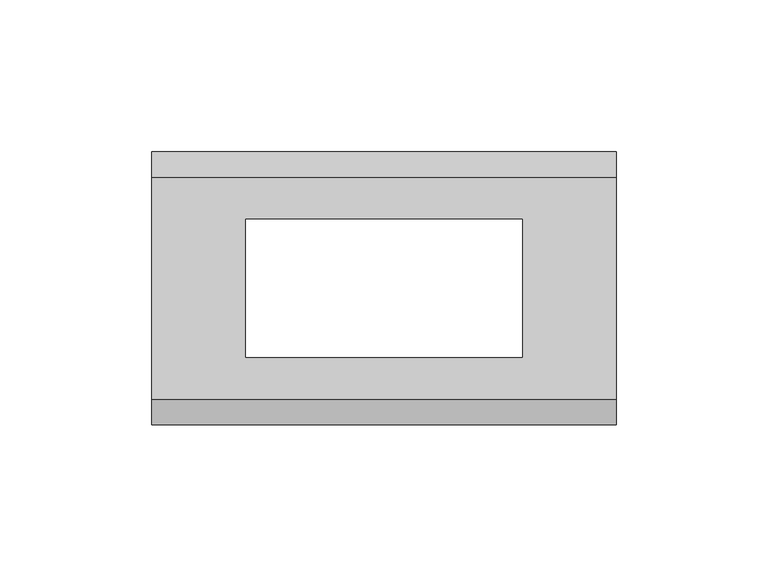
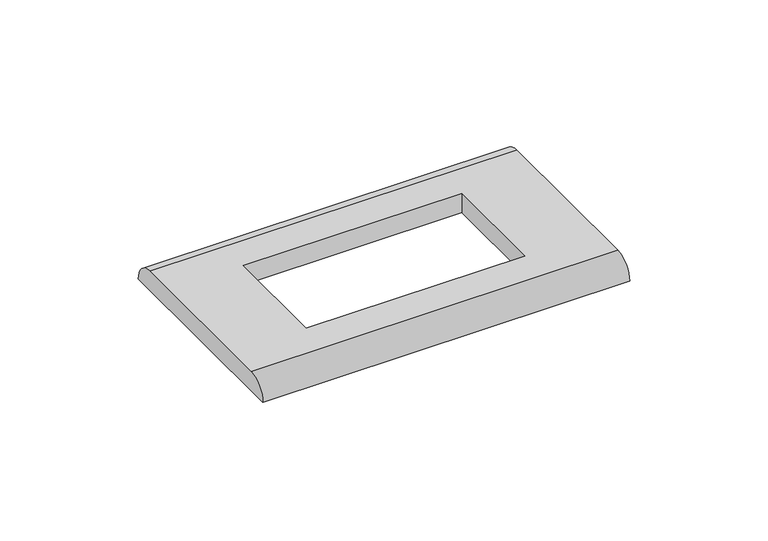
"""IFC4 building model written with IfcOpenShell, lengths in millimetres: proxy geometry."""

import ifcopenshell
import ifcopenshell.guid

model = None  # the IFC model being written
_history = None  # IfcOwnerHistory: only IFC2X3 demands one
_inside = {}  # id of a spatial element -> (the spatial element, [elements in it])
_under = {}  # id of a project, library or spatial element -> (it, [spatial elements below it])
_declared = {}  # id of a project -> (the project, [libraries it declares])
_typed = {}  # id of a type object -> (the type object, [elements of that type])
_made_of = {}  # id of a material, layer set ... -> (it, [elements and type objects made of it])


def new_model(schema):
    """Start an empty IFC model of exactly this schema.

    Asked for "IFC4X3", IfcOpenShell would pick the latest addendum, in which some entities
    have other attributes; the version numbers below select the first issue.
    IFC2X3 requires an IfcOwnerHistory on every rooted entity: one is made here for all.
    """
    global model, _history
    if schema == "IFC4X3":
        model = ifcopenshell.file(schema_version=(4, 3, 0, 0))
    else:
        model = ifcopenshell.file(schema=schema)
    _inside.clear()
    _under.clear()
    _declared.clear()
    _typed.clear()
    _made_of.clear()
    _history = None
    if model.schema == "IFC2X3":
        org = make("IfcOrganization", Name="unknown")
        user = make(
            "IfcPersonAndOrganization",
            ThePerson=make("IfcPerson", FamilyName="unknown"),
            TheOrganization=org,
        )
        app = make(
            "IfcApplication",
            ApplicationDeveloper=org,
            Version="unknown",
            ApplicationFullName="unknown",
            ApplicationIdentifier="unknown",
        )
        _history = make(
            "IfcOwnerHistory",
            OwningUser=user,
            OwningApplication=app,
            ChangeAction="ADDED",
            CreationDate=0,
        )
    return model


def make(cls, **values):
    """One entity of the class cls with the attributes given. An attribute that is None is left unset."""
    return model.create_entity(
        cls, **{name: value for name, value in values.items() if value is not None}
    )


def rooted(cls, **values):
    """An entity with a GlobalId (a new one), such as an element, a storey or a relation."""
    return make(cls, GlobalId=ifcopenshell.guid.new(), OwnerHistory=_history, **values)


def si_unit(unit_type, name, prefix=None):
    """IfcSIUnit, for example si_unit("LENGTHUNIT", "METRE", prefix="MILLI")."""
    return make("IfcSIUnit", UnitType=unit_type, Prefix=prefix, Name=name)


def assignment(units):
    """IfcUnitAssignment: the units of a project."""
    return None if units is None else make("IfcUnitAssignment", Units=units)


def point(xyz):
    """IfcCartesianPoint."""
    return None if xyz is None else make("IfcCartesianPoint", Coordinates=xyz)


def direction(xyz):
    """IfcDirection."""
    return None if xyz is None else make("IfcDirection", DirectionRatios=xyz)


def frame(location, z_axis=None, x_axis=None):
    """IfcAxis2Placement3D, a coordinate frame: its origin and axes. An axis left out is left unset."""
    return make(
        "IfcAxis2Placement3D",
        Location=point(location),
        Axis=direction(z_axis),
        RefDirection=direction(x_axis),
    )


def origin():
    """The frame at (0, 0, 0) with its axes left unset."""
    return frame((0.0, 0.0, 0.0))


def place(relative_to, where):
    """IfcLocalPlacement: puts the frame where relative to a parent placement (None: the world)."""
    return make(
        "IfcLocalPlacement", PlacementRelTo=relative_to, RelativePlacement=where
    )


def context(
    kind, dimensions, precision=None, world=None, true_north=None, identifier=None
):
    """IfcGeometricRepresentationContext, for example the 3D "Model" context."""
    return make(
        "IfcGeometricRepresentationContext",
        ContextIdentifier=identifier,
        ContextType=kind,
        CoordinateSpaceDimension=dimensions,
        Precision=precision,
        WorldCoordinateSystem=world,
        TrueNorth=true_north,
    )


def project(units=None, contexts=None):
    """IfcProject with its units and contexts."""
    return rooted(
        "IfcProject",
        Name="project",
        RepresentationContexts=contexts,
        UnitsInContext=assignment(units),
    )


def spatial(cls, under=None, at=None, **own):
    """A site, building, storey or space (cls), placed at a placement, below another one or the project."""
    s = rooted(cls, ObjectPlacement=at, **own)
    if under is not None:
        _under.setdefault(under.id(), (under, []))[1].append(s)
    return s


def circle_curve(where, radius):
    """IfcCircle in the frame where."""
    return make("IfcCircle", Position=where, Radius=radius)


def shape(context_of_items, identifier, shape_type, items):
    """IfcShapeRepresentation: the items that make up one representation, for example the "Body"."""
    return make(
        "IfcShapeRepresentation",
        ContextOfItems=context_of_items,
        RepresentationIdentifier=identifier,
        RepresentationType=shape_type,
        Items=items,
    )


def source(mapping_origin, context_of_items, identifier, shape_type, items):
    """IfcRepresentationMap: a shape defined once, which mapped items show again and again."""
    return make(
        "IfcRepresentationMap",
        MappingOrigin=mapping_origin,
        MappedRepresentation=shape(context_of_items, identifier, shape_type, items),
    )


def transform(
    local_origin,
    x_axis=None,
    y_axis=None,
    z_axis=None,
    scale=None,
    scale2=None,
    scale3=None,
    uniform=True,
):
    """IfcCartesianTransformationOperator3D, or its non-uniform kind. x_axis, y_axis, z_axis: its Axis1, 2, 3."""
    if uniform:
        return make(
            "IfcCartesianTransformationOperator3D",
            Axis1=direction(x_axis),
            Axis2=direction(y_axis),
            LocalOrigin=point(local_origin),
            Scale=scale,
            Axis3=direction(z_axis),
        )
    return make(
        "IfcCartesianTransformationOperator3DnonUniform",
        Axis1=direction(x_axis),
        Axis2=direction(y_axis),
        LocalOrigin=point(local_origin),
        Scale=scale,
        Axis3=direction(z_axis),
        Scale2=scale2,
        Scale3=scale3,
    )


def mapped(mapping_source, mapping_target):
    """IfcMappedItem: shows the shape of a source again, moved by a transform."""
    return make(
        "IfcMappedItem", MappingSource=mapping_source, MappingTarget=mapping_target
    )


def made_of(thing, what):
    """Note that an element or type object is made of a material, layer set ...; save() writes the relation."""
    if what is not None:
        _made_of.setdefault(what.id(), (what, []))[1].append(thing)
    return thing


def element(
    cls,
    number,
    at=None,
    inside=None,
    cuts=None,
    type_object=None,
    material=None,
    context=None,
    identifier="Body",
    shape_type=None,
    held_by="IfcProductDefinitionShape",
    body=None,
    shapes=None,
    **own,
):
    """One element of the class cls, such as IfcWall. Its Tag is "e" and its number.

    at: its placement. inside: the storey or other place that contains it. cuts: it is an
    opening in that element (IfcRelVoidsElement). A single representation is given by context,
    identifier, shape_type and body (its items); several are given by shapes. held_by: the class
    of the entity that holds the representations. save() writes the other relations.
    """
    e = rooted(cls, Tag="e%d" % number, ObjectPlacement=at, **own)
    if body is not None:
        shapes = [shape(context, identifier, shape_type, body)]
    if shapes is not None:
        e.Representation = make(held_by, Representations=shapes)
    if inside is not None:
        _inside.setdefault(inside.id(), (inside, []))[1].append(e)
    if cuts is not None:
        rooted(
            "IfcRelVoidsElement", RelatingBuildingElement=cuts, RelatedOpeningElement=e
        )
    if type_object is not None:
        _typed.setdefault(type_object.id(), (type_object, []))[1].append(e)
    return made_of(e, material)


def aggregate(whole, parts):
    """IfcRelAggregates: a whole, such as a stair, and the parts it consists of."""
    return rooted("IfcRelAggregates", RelatingObject=whole, RelatedObjects=parts)


def save(model, path):
    """Write the relations noted so far, then the file.

    IfcRelAggregates (storeys below a building ...), IfcRelContainedInSpatialStructure (elements
    in a storey), IfcRelDefinesByType, IfcRelAssociatesMaterial and IfcRelDeclares: one each for
    every whole, place, type object, material and project.
    """
    for whole, parts in _under.values():
        aggregate(whole, parts)
    for where, things in _inside.values():
        rooted(
            "IfcRelContainedInSpatialStructure",
            RelatedElements=things,
            RelatingStructure=where,
        )
    for kind, things in _typed.values():
        rooted("IfcRelDefinesByType", RelatedObjects=things, RelatingType=kind)
    for what, things in _made_of.values():
        rooted("IfcRelAssociatesMaterial", RelatedObjects=things, RelatingMaterial=what)
    for by, libraries in _declared.values():
        rooted("IfcRelDeclares", RelatingContext=by, RelatedDefinitions=libraries)
    model.write(path)


def plane_surface(at):
    """IfcPlane: the flat surface through the origin of the frame at, square to its z axis."""
    return make("IfcPlane", Position=at)


def cylinder_surface(at, radius):
    """IfcCylindricalSurface: all points at the distance radius from the z axis of the frame at."""
    return make("IfcCylindricalSurface", Position=at, Radius=radius)


def advanced_brep(points, edges, surfaces, faces):
    """IfcAdvancedBrep: a solid bounded by faces that lie on surfaces and meet in shared edges.

    An edge is (start, end): straight between two places in points (the first is 0);
    or (start, end, curve); or (start, end, curve, False) where it runs against its curve.
    A face is (place in surfaces, loops), or (place, loops, False) where it looks against
    its surface's normal. A loop lists edges by number (the first is 1), with a minus sign
    where the edge is run from its end to its start. The first loop is the outer one.
    """
    corners = [point(p) for p in points]
    vertices = [make("IfcVertexPoint", VertexGeometry=c) for c in corners]
    made = []
    for start, end, *more in edges:
        made.append(
            make(
                "IfcEdgeCurve",
                EdgeStart=vertices[start],
                EdgeEnd=vertices[end],
                EdgeGeometry=more[0] if more else make("IfcPolyline", Points=[corners[start], corners[end]]),
                SameSense=more[1] if len(more) > 1 else True,
            )
        )
    hull = []
    for where, loops, *sense in faces:
        bounds = []
        for j, loop in enumerate(loops):
            ring = [make("IfcOrientedEdge", EdgeElement=made[abs(k) - 1], Orientation=k > 0) for k in loop]
            bounds.append(
                make(
                    "IfcFaceOuterBound" if j == 0 else "IfcFaceBound",
                    Bound=make("IfcEdgeLoop", EdgeList=ring),
                    Orientation=True,
                )
            )
        hull.append(make("IfcAdvancedFace", Bounds=bounds, FaceSurface=surfaces[where], SameSense=sense[0] if sense else True))
    return make("IfcAdvancedBrep", Outer=make("IfcClosedShell", CfsFaces=hull))


def electrical_fixtures_1c9867ba(model_context):
    return source(origin(), model_context, "Body", "AdvancedBrep", [
        advanced_brep(
        [(76.5, 36.5, 8.5), (-76.5, 36.5, 8.5), (-76.5, -36.5, 8.5), (76.5, -36.5, 8.5), (-45.5, 22.75, 8.5), (45.5, 22.75, 8.5), (45.5, -22.75, 8.5), (-45.5, -22.75, 8.5), (76.5, 45.0, 0.0), (76.5, -45.0, 0.0), (-76.5, -45.0, 0.0), (-76.5, 45.0, 0.0), (45.5, 22.75, 0.0), (-45.5, 22.75, 0.0), (-45.5, -22.75, 0.0), (45.5, -22.75, 0.0)],
        [
            (0, 1),
            (1, 2),
            (2, 3),
            (3, 0),
            (4, 5),
            (5, 6),
            (6, 7),
            (7, 4),
            (8, 9),
            (9, 10),
            (10, 11),
            (11, 8),
            (12, 13),
            (13, 14),
            (14, 15),
            (15, 12),
            (10, 2, circle_curve(frame((-76.5, -36.5, 0.0), z_axis=(-1.0, 0.0, 0.0), x_axis=(0.0, 1.0, 0.0)), 8.5)),
            (1, 11, circle_curve(frame((-76.5, 36.5, 0.0), z_axis=(-1.0, 0.0, 0.0), x_axis=(0.0, -1.0, 0.0)), 8.5)),
            (8, 0, circle_curve(frame((76.5, 36.5, 0.0), z_axis=(1.0, 0.0, 0.0), x_axis=(0.0, -1.0, 0.0)), 8.5)),
            (3, 9, circle_curve(frame((76.5, -36.5, 0.0), z_axis=(1.0, 0.0, 0.0), x_axis=(0.0, 1.0, 0.0)), 8.5)),
            (4, 13),
            (12, 5),
            (7, 14),
            (6, 15),
        ],
        [
            plane_surface(frame((-76.5, 45.0, 8.5), z_axis=(0.0, 0.0, 1.0), x_axis=(0.0, -1.0, 0.0))),
            plane_surface(frame((-76.5, 45.0, 0.0), z_axis=(0.0, 0.0, -1.0), x_axis=(0.0, 1.0, 0.0))),
            plane_surface(frame((-76.5, 45.0, 8.5), z_axis=(-1.0, 0.0, 0.0), x_axis=(0.0, 0.0, -1.0))),
            plane_surface(frame((76.5, -45.0, 8.5), z_axis=(1.0, 0.0, 0.0), x_axis=(0.0, 0.0, -1.0))),
            plane_surface(frame((45.5, 22.75, 8.5), z_axis=(0.0, -1.0, 0.0), x_axis=(0.0, 0.0, -1.0))),
            plane_surface(frame((-45.5, 22.75, 8.5), z_axis=(1.0, 0.0, 0.0), x_axis=(0.0, 0.0, -1.0))),
            plane_surface(frame((-45.5, -22.75, 8.5), z_axis=(0.0, 1.0, 0.0), x_axis=(0.0, 0.0, -1.0))),
            plane_surface(frame((45.5, -22.75, 8.5), z_axis=(-1.0, 0.0, 0.0), x_axis=(0.0, 0.0, -1.0))),
            cylinder_surface(frame((76.5, 36.5, 0.0), z_axis=(-1.0, 0.0, 0.0), x_axis=(0.0, -1.0, 0.0)), 8.5),
            cylinder_surface(frame((76.5, -36.5, 0.0), z_axis=(-1.0, 0.0, 0.0), x_axis=(0.0, 1.0, 0.0)), 8.5),
        ],
        [
            (0, [[1, 2, 3, 4], [5, 6, 7, 8]]),
            (1, [[9, 10, 11, 12], [13, 14, 15, 16]]),
            (2, [[-11, 17, -2, 18]]),
            (3, [[-9, 19, -4, 20]]),
            (4, [[21, -13, 22, -5]]),
            (5, [[-21, -8, 23, -14]]),
            (6, [[-23, -7, 24, -15]]),
            (7, [[-22, -16, -24, -6]]),
            (8, [[-1, -19, -12, -18]]),
            (9, [[-3, -17, -10, -20]]),
        ],
    ),
    ])


if __name__ == "__main__":
    model = new_model("IFC4")
    model_context = context("Model", 3, world=origin())
    ifc_project = project(units=[si_unit("LENGTHUNIT", "METRE", prefix="MILLI")], contexts=[model_context])
    site = spatial("IfcSite", under=ifc_project)
    building = spatial("IfcBuilding", under=site)
    placement = place(None, origin())
    electrical_fixtures_shape = electrical_fixtures_1c9867ba(model_context)
    element("IfcBuildingElementProxy", 1, Name="Electrical Fixtures", at=placement, inside=building, context=model_context, shape_type="MappedRepresentation", body=[
        mapped(electrical_fixtures_shape, transform((0.0, 0.0, 0.0), x_axis=(1.0, 0.0, 0.0), y_axis=(0.0, 1.0, 0.0), z_axis=(0.0, 0.0, 1.0))),
    ])
    save(model, "model.ifc")
